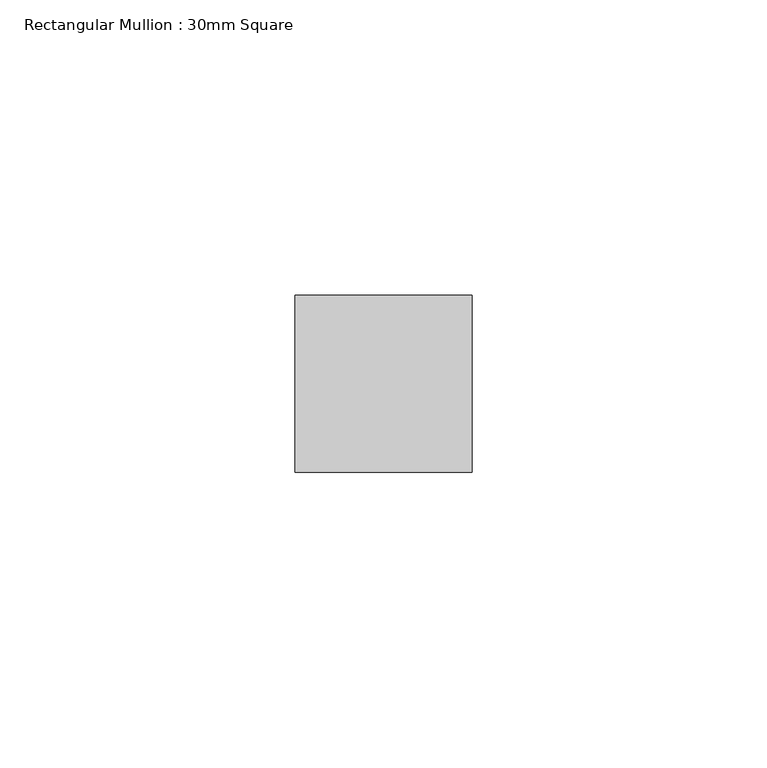
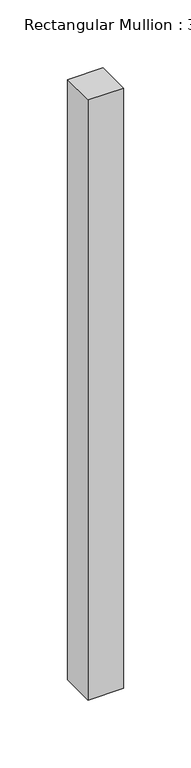
"""IFC4 building model written with IfcOpenShell, lengths in millimetres: member geometry, Rectangular Mullion : 30mm Square."""

from ifc_helpers import new_model, si_unit, frame, origin, place, context, project, spatial, polyline, outline, extrude, source, transform, mapped, element, save


def rectangular_mullion_30mm_square_7bc9d4c6(model_context):
    return source(origin(), model_context, "Body", "SweptSolid", [
        extrude(outline(polyline([(0.0, 15.0), (0.0, -15.0), (-30.0, -15.0), (-30.0, 15.0), (0.0, 15.0)])), frame((0.0, 0.0, -539.5856454), z_axis=(0.0, 0.0, 1.0), x_axis=(1.0, 0.0, 0.0)), (0.0, 0.0, 1.0), 539.5856454),
    ])


if __name__ == "__main__":
    model = new_model("IFC4")
    model_context = context("Model", 3, world=origin())
    ifc_project = project(units=[si_unit("LENGTHUNIT", "METRE", prefix="MILLI")], contexts=[model_context])
    site = spatial("IfcSite", under=ifc_project)
    building = spatial("IfcBuilding", under=site)
    placement = place(None, origin())
    rectangular_mullion_30mm_square_shape = rectangular_mullion_30mm_square_7bc9d4c6(model_context)
    element("IfcMember", 1, ObjectType="Rectangular Mullion : 30mm Square", at=placement, inside=building, context=model_context, shape_type="MappedRepresentation", body=[
        mapped(rectangular_mullion_30mm_square_shape, transform((0.0, 0.0, 0.0), x_axis=(1.0, 0.0, 0.0), y_axis=(0.0, 1.0, 0.0), z_axis=(0.0, 0.0, 1.0))),
    ])
    save(model, "model.ifc")
